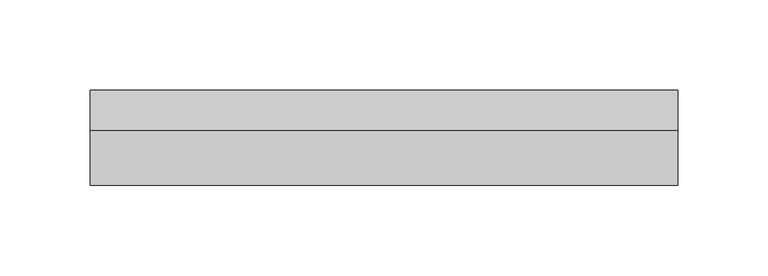
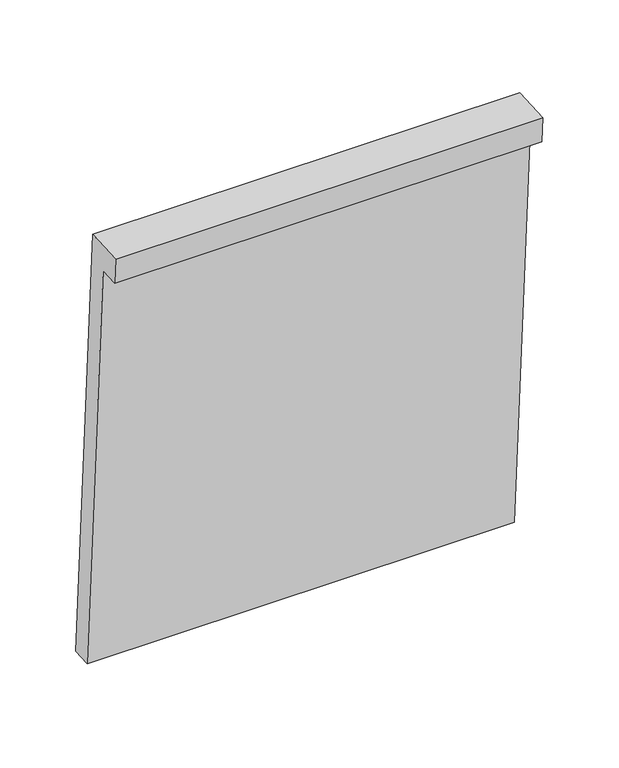
"""IFC4 building model written with IfcOpenShell, lengths in millimetres: plate geometry."""

from ifc_helpers import new_model, si_unit, frame, origin, place, context, project, spatial, polyline, outline, extrude, source, transform, mapped, element, save


def plate_77348249(model_context):
    return source(origin(), model_context, "Body", "SweptSolid", [
        extrude(outline(polyline([(52.4025306, -97.3528102), (37.4334594, -98.3155697), (16.2527506, 231.0039976), (1.2836793, 230.0412381), (0.0, 250.0), (29.9381425, 251.925519), (52.4025306, -97.3528102)])), frame((-162.4999998, 0.0, 0.0), z_axis=(1.0, 0.0, 0.0), x_axis=(0.0, 1.0, 0.0)), (0.0, 0.0, 1.0), 324.9999997),
    ])


if __name__ == "__main__":
    model = new_model("IFC4")
    model_context = context("Model", 3, world=origin())
    ifc_project = project(units=[si_unit("LENGTHUNIT", "METRE", prefix="MILLI")], contexts=[model_context])
    site = spatial("IfcSite", under=ifc_project)
    building = spatial("IfcBuilding", under=site)
    placement = place(None, origin())
    plate_shape = plate_77348249(model_context)
    element("IfcPlate", 1, at=placement, inside=building, context=model_context, shape_type="MappedRepresentation", body=[
        mapped(plate_shape, transform((0.0, 0.0, 0.0), x_axis=(1.0, 0.0, 0.0), y_axis=(0.0, 1.0, 0.0), z_axis=(0.0, 0.0, 1.0))),
    ])
    save(model, "model.ifc")
